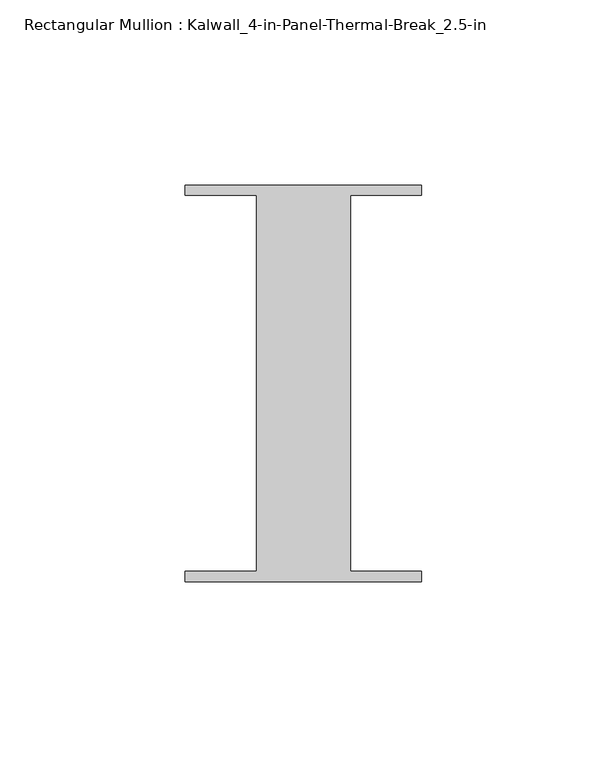
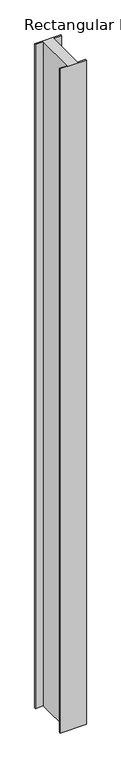
"""IFC4 building model written with IfcOpenShell, lengths in millimetres: member geometry, Rectangular Mullion : Kalwall_4-in-Panel-Thermal-Break_2.5-in."""

from ifc_helpers import new_model, si_unit, frame, origin, place, context, project, spatial, polyline, outline, extrude, source, transform, mapped, element, save


def rectangular_mullion_kalwall_4_in_panel_thermal_break_2_5_in_9ca8dbfa(model_context):
    return source(origin(), model_context, "Body", "SweptSolid", [
        extrude(outline(polyline([(-32.0, 53.594), (32.0, 53.594), (32.0, 50.8), (12.7, 50.8), (12.7, -50.8), (32.0, -50.8), (32.0, -53.594), (-32.0, -53.594), (-32.0, -50.8), (-12.7, -50.8), (-12.7, 50.8), (-32.0, 50.8), (-32.0, 53.594)])), frame((0.0, 0.0, -1711.075), z_axis=(0.0, 0.0, 1.0), x_axis=(1.0, 0.0, 0.0)), (0.0, 0.0, 1.0), 1711.075),
    ])


if __name__ == "__main__":
    model = new_model("IFC4")
    model_context = context("Model", 3, world=origin())
    ifc_project = project(units=[si_unit("LENGTHUNIT", "METRE", prefix="MILLI")], contexts=[model_context])
    site = spatial("IfcSite", under=ifc_project)
    building = spatial("IfcBuilding", under=site)
    placement = place(None, origin())
    rectangular_mullion_kalwall_4_in_panel_thermal_break_2_5_in_shape = rectangular_mullion_kalwall_4_in_panel_thermal_break_2_5_in_9ca8dbfa(model_context)
    element("IfcMember", 1, ObjectType="Rectangular Mullion : Kalwall_4-in-Panel-Thermal-Break_2.5-in", at=placement, inside=building, context=model_context, shape_type="MappedRepresentation", body=[
        mapped(rectangular_mullion_kalwall_4_in_panel_thermal_break_2_5_in_shape, transform((0.0, 0.0, 0.0), x_axis=(1.0, 0.0, 0.0), y_axis=(0.0, 1.0, 0.0), z_axis=(0.0, 0.0, 1.0))),
    ])
    save(model, "model.ifc")
